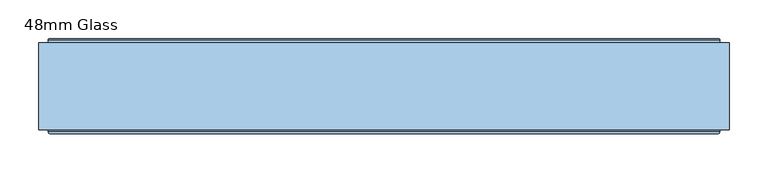
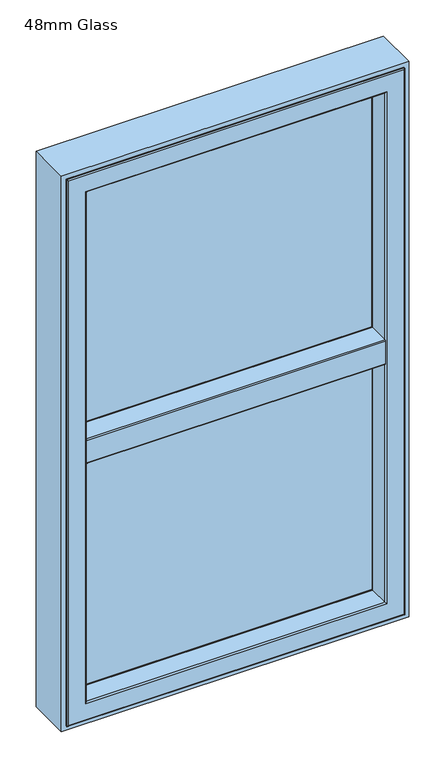
"""IFC4 building model written with IfcOpenShell, lengths in millimetres: window geometry, 48mm Glass."""

from ifc_helpers import new_model, si_unit, frame, origin, place, context, project, spatial, polyline, circle_curve, ellipse_curve, outline, extrude, source, transform, mapped, element, save
from ifc_brep_helpers import plane_surface, cylinder_surface, revolved_surface, advanced_brep


def window_48mm_glass_ea6075e9(model_context):
    return source(origin(), model_context, "Body", "SolidModel", [
        extrude(outline(polyline([(396.0, 93.0), (-396.0, 93.0), (-396.0, 141.0), (396.0, 141.0), (396.0, 93.0)])), frame((0.0, 0.0, 848.0), z_axis=(0.0, 0.0, 1.0), x_axis=(1.0, 0.0, 0.0)), (0.0, 0.0, 1.0), 671.0),
        advanced_brep(
        [(382.0, 142.3448353, 1505.0), (384.8884017, 151.7923717, 1507.8884017), (384.8884017, 151.7923717, 859.1115983), (382.0, 142.3448353, 862.0), (382.0, 141.0, 1505.0), (382.0, 141.0, 862.0), (396.0, 93.0, 1519.0), (396.0, 141.0, 1519.0), (396.0, 141.0, 848.0), (396.0, 93.0, 848.0), (382.0, 90.0, 1505.0), (382.0, 93.0, 1505.0), (382.0, 93.0, 862.0), (382.0, 90.0, 862.0), (406.822025, 145.5609347, 1529.822025), (400.0, 90.0, 1523.0), (400.0, 90.0, 844.0), (406.822025, 145.5609347, 837.177975), (407.6, 147.2, 1530.6), (407.6, 147.2, 836.4), (407.6, 150.5, 1530.6), (407.6, 150.5, 836.4), (403.22, 151.5, 1526.22), (403.22, 150.5, 1526.22), (403.22, 150.5, 840.78), (403.22, 151.5, 840.78), (402.22, 152.5, 1525.22), (402.22, 152.5, 841.78), (385.8447065, 152.5, 1508.8447065), (385.8447065, 152.5, 858.1552935), (-384.8884017, 151.7923717, 859.1115983), (-382.0, 142.3448353, 862.0), (-382.0, 141.0, 862.0), (-396.0, 141.0, 848.0), (-396.0, 93.0, 848.0), (-382.0, 93.0, 862.0), (-382.0, 90.0, 862.0), (-400.0, 90.0, 844.0), (-406.822025, 145.5609347, 837.177975), (-407.6, 147.2, 836.4), (-407.6, 150.5, 836.4), (-403.22, 150.5, 840.78), (-403.22, 151.5, 840.78), (-402.22, 152.5, 841.78), (-385.8447065, 152.5, 858.1552935), (-384.8884017, 151.7923717, 1507.8884017), (-382.0, 142.3448353, 1505.0), (-382.0, 141.0, 1505.0), (-396.0, 141.0, 1519.0), (-396.0, 93.0, 1519.0), (-382.0, 93.0, 1505.0), (-382.0, 90.0, 1505.0), (-400.0, 90.0, 1523.0), (-406.822025, 145.5609347, 1529.822025), (-407.6, 147.2, 1530.6), (-407.6, 150.5, 1530.6), (-403.22, 150.5, 1526.22), (-403.22, 151.5, 1526.22), (-402.22, 152.5, 1525.22), (-385.8447065, 152.5, 1508.8447065)],
        [
            (0, 1),
            (1, 2),
            (2, 3),
            (3, 0),
            (4, 0),
            (3, 5),
            (5, 4),
            (6, 7),
            (7, 8),
            (8, 9),
            (9, 6),
            (10, 11),
            (11, 12),
            (12, 13),
            (13, 10),
            (14, 15),
            (15, 16),
            (16, 17),
            (17, 14),
            (18, 14),
            (17, 19),
            (19, 18),
            (20, 18),
            (19, 21),
            (21, 20),
            (22, 23),
            (23, 24),
            (24, 25),
            (25, 22),
            (26, 22, ellipse_curve(frame((402.22, 151.5, 1525.22), z_axis=(0.7071067811865475, 0.0, -0.7071067811865475), x_axis=(0.7071067811865474, 0.0, 0.7071067811865476)), 1.4142136, 1.0)),
            (25, 27, ellipse_curve(frame((402.22, 151.5, 841.78), z_axis=(0.7071067811865475, 0.0, 0.7071067811865475), x_axis=(-0.7071067811865474, 0.0, 0.7071067811865476)), 1.4142136, 1.0)),
            (27, 26),
            (1, 28, ellipse_curve(frame((385.8447065, 151.5, 1508.8447065), z_axis=(0.7071067811865475, 0.0, -0.7071067811865475), x_axis=(0.7071067811865474, 0.0, 0.7071067811865476)), 1.4142136, 1.0)),
            (28, 29),
            (29, 2, ellipse_curve(frame((385.8447065, 151.5, 858.1552935), z_axis=(0.7071067811865475, 0.0, 0.7071067811865475), x_axis=(-0.7071067811865474, 0.0, 0.7071067811865476)), 1.4142136, 1.0)),
            (2, 30),
            (30, 31),
            (31, 3),
            (31, 32),
            (32, 5),
            (8, 33),
            (33, 34),
            (34, 9),
            (12, 35),
            (35, 36),
            (36, 13),
            (16, 37),
            (37, 38),
            (38, 17),
            (38, 39),
            (39, 19),
            (39, 40),
            (40, 21),
            (24, 41),
            (41, 42),
            (42, 25),
            (42, 43, ellipse_curve(frame((-402.22, 151.5, 841.78), z_axis=(0.7071067811865475, 0.0, -0.7071067811865475), x_axis=(0.7071067811865476, 0.0, 0.7071067811865474)), 1.4142136, 1.0)),
            (43, 27),
            (29, 44),
            (44, 30, ellipse_curve(frame((-385.8447065, 151.5, 858.1552935), z_axis=(0.7071067811865475, 0.0, -0.7071067811865475), x_axis=(0.7071067811865476, 0.0, 0.7071067811865474)), 1.4142136, 1.0)),
            (30, 45),
            (45, 46),
            (46, 31),
            (46, 47),
            (47, 32),
            (33, 48),
            (48, 49),
            (49, 34),
            (35, 50),
            (50, 51),
            (51, 36),
            (37, 52),
            (52, 53),
            (53, 38),
            (53, 54),
            (54, 39),
            (54, 55),
            (55, 40),
            (41, 56),
            (56, 57),
            (57, 42),
            (57, 58, ellipse_curve(frame((-402.22, 151.5, 1525.22), z_axis=(-0.7071067811865475, 0.0, -0.7071067811865475), x_axis=(0.7071067811865474, 0.0, -0.7071067811865476)), 1.4142136, 1.0)),
            (58, 43),
            (44, 59),
            (59, 45, ellipse_curve(frame((-385.8447065, 151.5, 1508.8447065), z_axis=(-0.7071067811865475, 0.0, -0.7071067811865475), x_axis=(0.7071067811865474, 0.0, -0.7071067811865476)), 1.4142136, 1.0)),
            (45, 1),
            (0, 46),
            (4, 47),
            (7, 48),
            (6, 49),
            (11, 50),
            (10, 51),
            (15, 52),
            (14, 53),
            (18, 54),
            (20, 55),
            (23, 56),
            (22, 57),
            (26, 58),
            (28, 59),
        ],
        [
            plane_surface(frame((384.8884017, 151.7923717, 1507.8884017), z_axis=(-0.9563047559630347, 0.29237170472273977, 0.0), x_axis=(0.0, 0.0, -1.0))),
            plane_surface(frame((382.0, 142.3448353, 1505.0), z_axis=(-1.0, 0.0, 0.0), x_axis=(0.0, 0.0, -1.0))),
            plane_surface(frame((396.0, 141.0, 1519.0), z_axis=(-1.0, 0.0, 0.0), x_axis=(0.0, 0.0, -1.0))),
            plane_surface(frame((382.0, 93.0, 1505.0), z_axis=(-1.0, 0.0, 0.0), x_axis=(0.0, 0.0, -1.0))),
            plane_surface(frame((400.0, 90.0, 1523.0), z_axis=(0.9925461516413231, -0.12186934340513905, 0.0), x_axis=(0.0, 0.0, -1.0))),
            plane_surface(frame((406.822025, 145.5609347, 1529.822025), z_axis=(0.9034015732556399, -0.4287955193786835, 0.0), x_axis=(0.0, 0.0, -1.0))),
            plane_surface(frame((407.6, 147.2, 1530.6), z_axis=(1.0, 0.0, 0.0), x_axis=(0.0, 0.0, -1.0))),
            plane_surface(frame((403.22, 150.5, 1526.22), z_axis=(1.0, 0.0, 0.0), x_axis=(0.0, 0.0, -1.0))),
            cylinder_surface(frame((402.22, 151.5, 1555.0), z_axis=(0.0, 0.0, 1.0), x_axis=(0.0, -1.0, 0.0)), 1.0),
            cylinder_surface(frame((385.8447065, 151.5, 1555.0), z_axis=(0.0, 0.0, 1.0), x_axis=(0.0, -1.0, 0.0)), 1.0),
            plane_surface(frame((384.8884017, 151.7923717, 859.1115983), z_axis=(0.0, 0.29237170472273977, 0.9563047559630347), x_axis=(-1.0, 0.0, 0.0))),
            plane_surface(frame((382.0, 142.3448353, 862.0), z_axis=(0.0, 0.0, 1.0), x_axis=(-1.0, 0.0, 0.0))),
            plane_surface(frame((396.0, 141.0, 848.0), z_axis=(0.0, 0.0, 1.0), x_axis=(-1.0, 0.0, 0.0))),
            plane_surface(frame((382.0, 93.0, 862.0), z_axis=(0.0, 0.0, 1.0), x_axis=(-1.0, 0.0, 0.0))),
            plane_surface(frame((400.0, 90.0, 844.0), z_axis=(0.0, -0.12186934340513905, -0.9925461516413231), x_axis=(-1.0, 0.0, 0.0))),
            plane_surface(frame((406.822025, 145.5609347, 837.177975), z_axis=(0.0, -0.4287955193786835, -0.9034015732556399), x_axis=(-1.0, 0.0, 0.0))),
            plane_surface(frame((407.6, 147.2, 836.4), z_axis=(0.0, 0.0, -1.0), x_axis=(-1.0, 0.0, 0.0))),
            plane_surface(frame((403.22, 150.5, 840.78), z_axis=(0.0, 0.0, -1.0), x_axis=(-1.0, 0.0, 0.0))),
            cylinder_surface(frame((432.0, 151.5, 841.78), z_axis=(1.0, 0.0, 0.0), x_axis=(0.0, -1.0, 0.0)), 1.0),
            cylinder_surface(frame((432.0, 151.5, 858.1552935), z_axis=(1.0, 0.0, 0.0), x_axis=(0.0, -1.0, 0.0)), 1.0),
            plane_surface(frame((-384.8884017, 151.7923717, 859.1115983), z_axis=(0.9563047559630347, 0.29237170472273977, 0.0), x_axis=(0.0, 0.0, 1.0))),
            plane_surface(frame((-382.0, 142.3448353, 862.0), z_axis=(1.0, 0.0, 0.0), x_axis=(0.0, 0.0, 1.0))),
            plane_surface(frame((-396.0, 141.0, 848.0), z_axis=(1.0, 0.0, 0.0), x_axis=(0.0, 0.0, 1.0))),
            plane_surface(frame((-382.0, 93.0, 862.0), z_axis=(1.0, 0.0, 0.0), x_axis=(0.0, 0.0, 1.0))),
            plane_surface(frame((-400.0, 90.0, 844.0), z_axis=(-0.9925461516413231, -0.12186934340513905, 0.0), x_axis=(0.0, 0.0, 1.0))),
            plane_surface(frame((-406.822025, 145.5609347, 837.177975), z_axis=(-0.9034015732556399, -0.4287955193786835, 0.0), x_axis=(0.0, 0.0, 1.0))),
            plane_surface(frame((-407.6, 147.2, 836.4), z_axis=(-1.0, 0.0, 0.0), x_axis=(0.0, 0.0, 1.0))),
            plane_surface(frame((-403.22, 150.5, 840.78), z_axis=(-1.0, 0.0, 0.0), x_axis=(0.0, 0.0, 1.0))),
            cylinder_surface(frame((-402.22, 151.5, 812.0), z_axis=(0.0, 0.0, -1.0), x_axis=(0.0, -1.0, 0.0)), 1.0),
            cylinder_surface(frame((-385.8447065, 151.5, 812.0), z_axis=(0.0, 0.0, -1.0), x_axis=(0.0, -1.0, 0.0)), 1.0),
            plane_surface(frame((-384.8884017, 151.7923717, 1507.8884017), z_axis=(0.0, 0.29237170472273977, -0.9563047559630347), x_axis=(1.0, 0.0, 0.0))),
            plane_surface(frame((-382.0, 142.3448353, 1505.0), z_axis=(0.0, 0.0, -1.0), x_axis=(1.0, 0.0, 0.0))),
            plane_surface(frame((-382.0, 141.0, 1505.0), z_axis=(0.0, -1.0, 0.0), x_axis=(1.0, 0.0, 0.0))),
            plane_surface(frame((-396.0, 141.0, 1519.0), z_axis=(0.0, 0.0, -1.0), x_axis=(1.0, 0.0, 0.0))),
            plane_surface(frame((-396.0, 93.0, 1519.0), z_axis=(0.0, 1.0, 0.0), x_axis=(1.0, 0.0, 0.0))),
            plane_surface(frame((-382.0, 93.0, 1505.0), z_axis=(0.0, 0.0, -1.0), x_axis=(1.0, 0.0, 0.0))),
            plane_surface(frame((-382.0, 90.0, 1505.0), z_axis=(0.0, -1.0, 0.0), x_axis=(1.0, 0.0, 0.0))),
            plane_surface(frame((-400.0, 90.0, 1523.0), z_axis=(0.0, -0.12186934340513905, 0.9925461516413231), x_axis=(1.0, 0.0, 0.0))),
            plane_surface(frame((-406.822025, 145.5609347, 1529.822025), z_axis=(0.0, -0.4287955193786835, 0.9034015732556399), x_axis=(1.0, 0.0, 0.0))),
            plane_surface(frame((-407.6, 147.2, 1530.6), z_axis=(0.0, 0.0, 1.0), x_axis=(1.0, 0.0, 0.0))),
            plane_surface(frame((-407.6, 150.5, 1530.6), z_axis=(0.0, 1.0, 0.0), x_axis=(1.0, 0.0, 0.0))),
            plane_surface(frame((-403.22, 150.5, 1526.22), z_axis=(0.0, 0.0, 1.0), x_axis=(1.0, 0.0, 0.0))),
            cylinder_surface(frame((-432.0, 151.5, 1525.22), z_axis=(-1.0, 0.0, 0.0), x_axis=(0.0, -1.0, 0.0)), 1.0),
            plane_surface(frame((-402.22, 152.5, 1525.22), z_axis=(0.0, 1.0, 0.0), x_axis=(1.0, 0.0, 0.0))),
            cylinder_surface(frame((-432.0, 151.5, 1508.8447065), z_axis=(-1.0, 0.0, 0.0), x_axis=(0.0, -1.0, 0.0)), 1.0),
        ],
        [
            (0, [[1, 2, 3, 4]]),
            (1, [[5, -4, 6, 7]]),
            (2, [[8, 9, 10, 11]]),
            (3, [[12, 13, 14, 15]]),
            (4, [[16, 17, 18, 19]]),
            (5, [[20, -19, 21, 22]]),
            (6, [[23, -22, 24, 25]]),
            (7, [[26, 27, 28, 29]]),
            (8, [[30, -29, 31, 32]]),
            (9, [[33, 34, 35, -2]]),
            (10, [[-3, 36, 37, 38]]),
            (11, [[-6, -38, 39, 40]]),
            (12, [[-10, 41, 42, 43]]),
            (13, [[-14, 44, 45, 46]]),
            (14, [[-18, 47, 48, 49]]),
            (15, [[-21, -49, 50, 51]]),
            (16, [[-24, -51, 52, 53]]),
            (17, [[-28, 54, 55, 56]]),
            (18, [[-31, -56, 57, 58]]),
            (19, [[-35, 59, 60, -36]]),
            (20, [[-37, 61, 62, 63]]),
            (21, [[-39, -63, 64, 65]]),
            (22, [[-42, 66, 67, 68]]),
            (23, [[-45, 69, 70, 71]]),
            (24, [[-48, 72, 73, 74]]),
            (25, [[-50, -74, 75, 76]]),
            (26, [[-52, -76, 77, 78]]),
            (27, [[-55, 79, 80, 81]]),
            (28, [[-57, -81, 82, 83]]),
            (29, [[-60, 84, 85, -61]]),
            (30, [[-62, 86, -1, 87]]),
            (31, [[-64, -87, -5, 88]]),
            (32, [[89, -66, -41, -9], [-40, -65, -88, -7]]),
            (33, [[-67, -89, -8, 90]]),
            (34, [[-43, -68, -90, -11], [91, -69, -44, -13]]),
            (35, [[-70, -91, -12, 92]]),
            (36, [[93, -72, -47, -17], [-46, -71, -92, -15]]),
            (37, [[-73, -93, -16, 94]]),
            (38, [[-75, -94, -20, 95]]),
            (39, [[-77, -95, -23, 96]]),
            (40, [[-53, -78, -96, -25], [97, -79, -54, -27]]),
            (41, [[-80, -97, -26, 98]]),
            (42, [[-82, -98, -30, 99]]),
            (43, [[-58, -83, -99, -32], [100, -84, -59, -34]]),
            (44, [[-85, -100, -33, -86]]),
        ],
    ),
        extrude(outline(polyline([(396.0, 93.5), (-396.0, 93.5), (-396.0, 141.5), (396.0, 141.5), (396.0, 93.5)])), frame((0.0, 0.0, 1557.0), z_axis=(0.0, 0.0, 1.0), x_axis=(1.0, 0.0, 0.0)), (0.0, 0.0, 1.0), 695.0),
        advanced_brep(
        [(382.0, 142.8448353, 2238.0), (384.8884017, 152.2923717, 2240.8884017), (384.8884017, 152.2923717, 1568.1115983), (382.0, 142.8448353, 1571.0), (382.0, 141.5, 2238.0), (382.0, 141.5, 1571.0), (396.0, 93.5, 2252.0), (396.0, 141.5, 2252.0), (396.0, 141.5, 1557.0), (396.0, 93.5, 1557.0), (382.0, 90.5, 2238.0), (382.0, 93.5, 2238.0), (382.0, 93.5, 1571.0), (382.0, 90.5, 1571.0), (406.822025, 146.0609347, 2262.822025), (400.0, 90.5, 2256.0), (400.0, 90.5, 1553.0), (406.822025, 146.0609347, 1546.177975), (407.6, 147.7, 2263.6), (407.6, 147.7, 1545.4), (407.6, 151.0, 2263.6), (407.6, 151.0, 1545.4), (403.22, 152.0, 2259.22), (403.22, 151.0, 2259.22), (403.22, 151.0, 1549.78), (403.22, 152.0, 1549.78), (402.22, 153.0, 2258.22), (402.22, 153.0, 1550.78), (385.8447065, 153.0, 2241.8447065), (385.8447065, 153.0, 1567.1552935), (-384.8884017, 152.2923717, 1568.1115983), (-382.0, 142.8448353, 1571.0), (-382.0, 141.5, 1571.0), (-396.0, 141.5, 1557.0), (-396.0, 93.5, 1557.0), (-382.0, 93.5, 1571.0), (-382.0, 90.5, 1571.0), (-400.0, 90.5, 1553.0), (-406.822025, 146.0609347, 1546.177975), (-407.6, 147.7, 1545.4), (-407.6, 151.0, 1545.4), (-403.22, 151.0, 1549.78), (-403.22, 152.0, 1549.78), (-402.22, 153.0, 1550.78), (-385.8447065, 153.0, 1567.1552935), (-384.8884017, 152.2923717, 2240.8884017), (-382.0, 142.8448353, 2238.0), (-382.0, 141.5, 2238.0), (-396.0, 141.5, 2252.0), (-396.0, 93.5, 2252.0), (-382.0, 93.5, 2238.0), (-382.0, 90.5, 2238.0), (-400.0, 90.5, 2256.0), (-406.822025, 146.0609347, 2262.822025), (-407.6, 147.7, 2263.6), (-407.6, 151.0, 2263.6), (-403.22, 151.0, 2259.22), (-403.22, 152.0, 2259.22), (-402.22, 153.0, 2258.22), (-385.8447065, 153.0, 2241.8447065)],
        [
            (0, 1),
            (1, 2),
            (2, 3),
            (3, 0),
            (4, 0),
            (3, 5),
            (5, 4),
            (6, 7),
            (7, 8),
            (8, 9),
            (9, 6),
            (10, 11),
            (11, 12),
            (12, 13),
            (13, 10),
            (14, 15),
            (15, 16),
            (16, 17),
            (17, 14),
            (18, 14),
            (17, 19),
            (19, 18),
            (20, 18),
            (19, 21),
            (21, 20),
            (22, 23),
            (23, 24),
            (24, 25),
            (25, 22),
            (26, 22, ellipse_curve(frame((402.22, 152.0, 2258.22), z_axis=(0.7071067811865475, 0.0, -0.7071067811865475), x_axis=(0.7071067811865474, 0.0, 0.7071067811865476)), 1.4142136, 1.0)),
            (25, 27, ellipse_curve(frame((402.22, 152.0, 1550.78), z_axis=(0.7071067811865475, 0.0, 0.7071067811865475), x_axis=(-0.7071067811865474, 0.0, 0.7071067811865476)), 1.4142136, 1.0)),
            (27, 26),
            (1, 28, ellipse_curve(frame((385.8447065, 152.0, 2241.8447065), z_axis=(0.7071067811865475, 0.0, -0.7071067811865475), x_axis=(0.7071067811865474, 0.0, 0.7071067811865476)), 1.4142136, 1.0)),
            (28, 29),
            (29, 2, ellipse_curve(frame((385.8447065, 152.0, 1567.1552935), z_axis=(0.7071067811865475, 0.0, 0.7071067811865475), x_axis=(-0.7071067811865474, 0.0, 0.7071067811865476)), 1.4142136, 1.0)),
            (2, 30),
            (30, 31),
            (31, 3),
            (31, 32),
            (32, 5),
            (8, 33),
            (33, 34),
            (34, 9),
            (12, 35),
            (35, 36),
            (36, 13),
            (16, 37),
            (37, 38),
            (38, 17),
            (38, 39),
            (39, 19),
            (39, 40),
            (40, 21),
            (24, 41),
            (41, 42),
            (42, 25),
            (42, 43, ellipse_curve(frame((-402.22, 152.0, 1550.78), z_axis=(0.7071067811865475, 0.0, -0.7071067811865475), x_axis=(0.7071067811865476, 0.0, 0.7071067811865474)), 1.4142136, 1.0)),
            (43, 27),
            (29, 44),
            (44, 30, ellipse_curve(frame((-385.8447065, 152.0, 1567.1552935), z_axis=(0.7071067811865475, 0.0, -0.7071067811865475), x_axis=(0.7071067811865476, 0.0, 0.7071067811865474)), 1.4142136, 1.0)),
            (30, 45),
            (45, 46),
            (46, 31),
            (46, 47),
            (47, 32),
            (33, 48),
            (48, 49),
            (49, 34),
            (35, 50),
            (50, 51),
            (51, 36),
            (37, 52),
            (52, 53),
            (53, 38),
            (53, 54),
            (54, 39),
            (54, 55),
            (55, 40),
            (41, 56),
            (56, 57),
            (57, 42),
            (57, 58, ellipse_curve(frame((-402.22, 152.0, 2258.22), z_axis=(-0.7071067811865475, 0.0, -0.7071067811865475), x_axis=(0.7071067811865474, 0.0, -0.7071067811865476)), 1.4142136, 1.0)),
            (58, 43),
            (44, 59),
            (59, 45, ellipse_curve(frame((-385.8447065, 152.0, 2241.8447065), z_axis=(-0.7071067811865475, 0.0, -0.7071067811865475), x_axis=(0.7071067811865474, 0.0, -0.7071067811865476)), 1.4142136, 1.0)),
            (45, 1),
            (0, 46),
            (4, 47),
            (7, 48),
            (6, 49),
            (11, 50),
            (10, 51),
            (15, 52),
            (14, 53),
            (18, 54),
            (20, 55),
            (23, 56),
            (22, 57),
            (26, 58),
            (28, 59),
        ],
        [
            plane_surface(frame((384.8884017, 152.2923717, 2240.8884017), z_axis=(-0.9563047559630347, 0.29237170472273977, 0.0), x_axis=(0.0, 0.0, -1.0))),
            plane_surface(frame((382.0, 142.8448353, 2238.0), z_axis=(-1.0, 0.0, 0.0), x_axis=(0.0, 0.0, -1.0))),
            plane_surface(frame((396.0, 141.5, 2252.0), z_axis=(-1.0, 0.0, 0.0), x_axis=(0.0, 0.0, -1.0))),
            plane_surface(frame((382.0, 93.5, 2238.0), z_axis=(-1.0, 0.0, 0.0), x_axis=(0.0, 0.0, -1.0))),
            plane_surface(frame((400.0, 90.5, 2256.0), z_axis=(0.9925461516413231, -0.12186934340513905, 0.0), x_axis=(0.0, 0.0, -1.0))),
            plane_surface(frame((406.822025, 146.0609347, 2262.822025), z_axis=(0.9034015732556399, -0.4287955193786835, 0.0), x_axis=(0.0, 0.0, -1.0))),
            plane_surface(frame((407.6, 147.7, 2263.6), z_axis=(1.0, 0.0, 0.0), x_axis=(0.0, 0.0, -1.0))),
            plane_surface(frame((403.22, 151.0, 2259.22), z_axis=(1.0, 0.0, 0.0), x_axis=(0.0, 0.0, -1.0))),
            cylinder_surface(frame((402.22, 152.0, 2288.0), z_axis=(0.0, 0.0, 1.0), x_axis=(0.0, -1.0, 0.0)), 1.0),
            cylinder_surface(frame((385.8447065, 152.0, 2288.0), z_axis=(0.0, 0.0, 1.0), x_axis=(0.0, -1.0, 0.0)), 1.0),
            plane_surface(frame((384.8884017, 152.2923717, 1568.1115983), z_axis=(0.0, 0.29237170472273977, 0.9563047559630347), x_axis=(-1.0, 0.0, 0.0))),
            plane_surface(frame((382.0, 142.8448353, 1571.0), z_axis=(0.0, 0.0, 1.0), x_axis=(-1.0, 0.0, 0.0))),
            plane_surface(frame((396.0, 141.5, 1557.0), z_axis=(0.0, 0.0, 1.0), x_axis=(-1.0, 0.0, 0.0))),
            plane_surface(frame((382.0, 93.5, 1571.0), z_axis=(0.0, 0.0, 1.0), x_axis=(-1.0, 0.0, 0.0))),
            plane_surface(frame((400.0, 90.5, 1553.0), z_axis=(0.0, -0.12186934340513905, -0.9925461516413231), x_axis=(-1.0, 0.0, 0.0))),
            plane_surface(frame((406.822025, 146.0609347, 1546.177975), z_axis=(0.0, -0.4287955193786835, -0.9034015732556399), x_axis=(-1.0, 0.0, 0.0))),
            plane_surface(frame((407.6, 147.7, 1545.4), z_axis=(0.0, 0.0, -1.0), x_axis=(-1.0, 0.0, 0.0))),
            plane_surface(frame((403.22, 151.0, 1549.78), z_axis=(0.0, 0.0, -1.0), x_axis=(-1.0, 0.0, 0.0))),
            cylinder_surface(frame((432.0, 152.0, 1550.78), z_axis=(1.0, 0.0, 0.0), x_axis=(0.0, -1.0, 0.0)), 1.0),
            cylinder_surface(frame((432.0, 152.0, 1567.1552935), z_axis=(1.0, 0.0, 0.0), x_axis=(0.0, -1.0, 0.0)), 1.0),
            plane_surface(frame((-384.8884017, 152.2923717, 1568.1115983), z_axis=(0.9563047559630347, 0.29237170472273977, 0.0), x_axis=(0.0, 0.0, 1.0))),
            plane_surface(frame((-382.0, 142.8448353, 1571.0), z_axis=(1.0, 0.0, 0.0), x_axis=(0.0, 0.0, 1.0))),
            plane_surface(frame((-396.0, 141.5, 1557.0), z_axis=(1.0, 0.0, 0.0), x_axis=(0.0, 0.0, 1.0))),
            plane_surface(frame((-382.0, 93.5, 1571.0), z_axis=(1.0, 0.0, 0.0), x_axis=(0.0, 0.0, 1.0))),
            plane_surface(frame((-400.0, 90.5, 1553.0), z_axis=(-0.9925461516413231, -0.12186934340513905, 0.0), x_axis=(0.0, 0.0, 1.0))),
            plane_surface(frame((-406.822025, 146.0609347, 1546.177975), z_axis=(-0.9034015732556399, -0.4287955193786835, 0.0), x_axis=(0.0, 0.0, 1.0))),
            plane_surface(frame((-407.6, 147.7, 1545.4), z_axis=(-1.0, 0.0, 0.0), x_axis=(0.0, 0.0, 1.0))),
            plane_surface(frame((-403.22, 151.0, 1549.78), z_axis=(-1.0, 0.0, 0.0), x_axis=(0.0, 0.0, 1.0))),
            cylinder_surface(frame((-402.22, 152.0, 1521.0), z_axis=(0.0, 0.0, -1.0), x_axis=(0.0, -1.0, 0.0)), 1.0),
            cylinder_surface(frame((-385.8447065, 152.0, 1521.0), z_axis=(0.0, 0.0, -1.0), x_axis=(0.0, -1.0, 0.0)), 1.0),
            plane_surface(frame((-384.8884017, 152.2923717, 2240.8884017), z_axis=(0.0, 0.29237170472273977, -0.9563047559630347), x_axis=(1.0, 0.0, 0.0))),
            plane_surface(frame((-382.0, 142.8448353, 2238.0), z_axis=(0.0, 0.0, -1.0), x_axis=(1.0, 0.0, 0.0))),
            plane_surface(frame((-382.0, 141.5, 2238.0), z_axis=(0.0, -1.0, 0.0), x_axis=(1.0, 0.0, 0.0))),
            plane_surface(frame((-396.0, 141.5, 2252.0), z_axis=(0.0, 0.0, -1.0), x_axis=(1.0, 0.0, 0.0))),
            plane_surface(frame((-396.0, 93.5, 2252.0), z_axis=(0.0, 1.0, 0.0), x_axis=(1.0, 0.0, 0.0))),
            plane_surface(frame((-382.0, 93.5, 2238.0), z_axis=(0.0, 0.0, -1.0), x_axis=(1.0, 0.0, 0.0))),
            plane_surface(frame((-382.0, 90.5, 2238.0), z_axis=(0.0, -1.0, 0.0), x_axis=(1.0, 0.0, 0.0))),
            plane_surface(frame((-400.0, 90.5, 2256.0), z_axis=(0.0, -0.12186934340513905, 0.9925461516413231), x_axis=(1.0, 0.0, 0.0))),
            plane_surface(frame((-406.822025, 146.0609347, 2262.822025), z_axis=(0.0, -0.4287955193786835, 0.9034015732556399), x_axis=(1.0, 0.0, 0.0))),
            plane_surface(frame((-407.6, 147.7, 2263.6), z_axis=(0.0, 0.0, 1.0), x_axis=(1.0, 0.0, 0.0))),
            plane_surface(frame((-407.6, 151.0, 2263.6), z_axis=(0.0, 1.0, 0.0), x_axis=(1.0, 0.0, 0.0))),
            plane_surface(frame((-403.22, 151.0, 2259.22), z_axis=(0.0, 0.0, 1.0), x_axis=(1.0, 0.0, 0.0))),
            cylinder_surface(frame((-432.0, 152.0, 2258.22), z_axis=(-1.0, 0.0, 0.0), x_axis=(0.0, -1.0, 0.0)), 1.0),
            plane_surface(frame((-402.22, 153.0, 2258.22), z_axis=(0.0, 1.0, 0.0), x_axis=(1.0, 0.0, 0.0))),
            cylinder_surface(frame((-432.0, 152.0, 2241.8447065), z_axis=(-1.0, 0.0, 0.0), x_axis=(0.0, -1.0, 0.0)), 1.0),
        ],
        [
            (0, [[1, 2, 3, 4]]),
            (1, [[5, -4, 6, 7]]),
            (2, [[8, 9, 10, 11]]),
            (3, [[12, 13, 14, 15]]),
            (4, [[16, 17, 18, 19]]),
            (5, [[20, -19, 21, 22]]),
            (6, [[23, -22, 24, 25]]),
            (7, [[26, 27, 28, 29]]),
            (8, [[30, -29, 31, 32]]),
            (9, [[33, 34, 35, -2]]),
            (10, [[-3, 36, 37, 38]]),
            (11, [[-6, -38, 39, 40]]),
            (12, [[-10, 41, 42, 43]]),
            (13, [[-14, 44, 45, 46]]),
            (14, [[-18, 47, 48, 49]]),
            (15, [[-21, -49, 50, 51]]),
            (16, [[-24, -51, 52, 53]]),
            (17, [[-28, 54, 55, 56]]),
            (18, [[-31, -56, 57, 58]]),
            (19, [[-35, 59, 60, -36]]),
            (20, [[-37, 61, 62, 63]]),
            (21, [[-39, -63, 64, 65]]),
            (22, [[-42, 66, 67, 68]]),
            (23, [[-45, 69, 70, 71]]),
            (24, [[-48, 72, 73, 74]]),
            (25, [[-50, -74, 75, 76]]),
            (26, [[-52, -76, 77, 78]]),
            (27, [[-55, 79, 80, 81]]),
            (28, [[-57, -81, 82, 83]]),
            (29, [[-60, 84, 85, -61]]),
            (30, [[-62, 86, -1, 87]]),
            (31, [[-64, -87, -5, 88]]),
            (32, [[89, -66, -41, -9], [-40, -65, -88, -7]]),
            (33, [[-67, -89, -8, 90]]),
            (34, [[-43, -68, -90, -11], [91, -69, -44, -13]]),
            (35, [[-70, -91, -12, 92]]),
            (36, [[93, -72, -47, -17], [-46, -71, -92, -15]]),
            (37, [[-73, -93, -16, 94]]),
            (38, [[-75, -94, -20, 95]]),
            (39, [[-77, -95, -23, 96]]),
            (40, [[-53, -78, -96, -25], [97, -79, -54, -27]]),
            (41, [[-80, -97, -26, 98]]),
            (42, [[-82, -98, -30, 99]]),
            (43, [[-58, -83, -99, -32], [100, -84, -59, -34]]),
            (44, [[-85, -100, -33, -86]]),
        ],
    ),
        advanced_brep(
        [(382.0, 91.0, 1521.6729121), (382.0, 91.0, 1505.0), (-382.0, 91.0, 1505.0), (-382.0, 91.0, 1521.6729121), (382.0, 35.0, 1505.0), (-382.0, 35.0, 1505.0), (382.0, 32.0, 1508.0), (382.0, 32.0, 1568.0), (-382.0, 32.0, 1568.0), (-382.0, 32.0, 1508.0), (382.0, 35.0, 1571.0), (382.0, 91.0, 1571.0), (-382.0, 91.0, 1571.0), (-382.0, 35.0, 1571.0), (382.0, 91.0, 1554.3270879), (-382.0, 91.0, 1554.3270879), (400.1583253, 92.2894565, 1552.8419376), (406.822025, 146.5609347, 1546.1893048), (-406.822025, 146.5609347, 1546.1893048), (-400.1583253, 92.2894565, 1552.8419376), (406.822025, 146.5609347, 1529.8106952), (400.1583253, 92.2894565, 1523.1580624), (-400.1583253, 92.2894565, 1523.1580624), (-406.822025, 146.5609347, 1529.8106952), (400.0, 91.0, 1521.6729121), (400.0, 91.0, 1554.3270879), (407.6, 153.0, 1545.4), (407.6, 153.0, 1530.6), (407.6, 154.0, 1531.6), (407.6, 154.0, 1544.4), (407.0359197, 148.3029671, 1530.6), (407.0359197, 148.3029671, 1545.4), (-400.0, 91.0, 1554.3270879), (-400.0, 91.0, 1521.6729121), (-407.6, 153.0, 1530.6), (-407.6, 153.0, 1545.4), (-407.6, 154.0, 1544.4), (-407.6, 154.0, 1531.6), (-407.0359197, 148.3029671, 1545.4), (-407.0359197, 148.3029671, 1530.6)],
        [
            (0, 1),
            (1, 2),
            (2, 3),
            (3, 0),
            (1, 4),
            (4, 5),
            (5, 2),
            (6, 7),
            (7, 8),
            (8, 9),
            (9, 6),
            (10, 11),
            (11, 12),
            (12, 13),
            (13, 10),
            (11, 14),
            (14, 15),
            (15, 12),
            (16, 17),
            (17, 18),
            (18, 19),
            (19, 16),
            (20, 21),
            (21, 22),
            (22, 23),
            (23, 20),
            (14, 0),
            (0, 24),
            (24, 25),
            (25, 14),
            (10, 7, circle_curve(frame((382.0, 35.0, 1568.0), z_axis=(1.0, 0.0, 0.0), x_axis=(0.0, 0.0, 1.0)), 3.0)),
            (6, 4, circle_curve(frame((382.0, 35.0, 1508.0), z_axis=(1.0, 0.0, 0.0), x_axis=(0.0, 0.0, 1.0)), 3.0)),
            (26, 27),
            (27, 28, circle_curve(frame((407.6, 153.0, 1531.6), z_axis=(1.0, 0.0, 0.0), x_axis=(0.0, 0.0, 1.0)), 1.0)),
            (28, 29),
            (29, 26, circle_curve(frame((407.6, 153.0, 1544.4), z_axis=(1.0, 0.0, 0.0), x_axis=(0.0, 0.0, 1.0)), 1.0)),
            (24, 21, ellipse_curve(frame((400.1841768, 92.5, 1521.6729121), z_axis=(-0.9925461516413167, 0.12186934340519207, 0.0), x_axis=(0.12186934340519083, 0.9925461516413169, 0.0)), 1.5112647, 1.5)),
            (20, 30),
            (30, 27),
            (26, 31),
            (31, 17),
            (16, 25, ellipse_curve(frame((400.1841768, 92.5, 1554.3270879), z_axis=(-0.9925461516413167, 0.12186934340519207, 0.0), x_axis=(0.12186934340519083, 0.9925461516413169, 0.0)), 1.5112647, 1.5)),
            (3, 15),
            (15, 32),
            (32, 33),
            (33, 3),
            (5, 9, circle_curve(frame((-382.0, 35.0, 1508.0), z_axis=(-1.0, 0.0, 0.0), x_axis=(0.0, 0.0, 1.0)), 3.0)),
            (8, 13, circle_curve(frame((-382.0, 35.0, 1568.0), z_axis=(-1.0, 0.0, 0.0), x_axis=(0.0, 0.0, 1.0)), 3.0)),
            (34, 35),
            (35, 36, circle_curve(frame((-407.6, 153.0, 1544.4), z_axis=(-1.0, 0.0, 0.0), x_axis=(0.0, 0.0, 1.0)), 1.0)),
            (36, 37),
            (37, 34, circle_curve(frame((-407.6, 153.0, 1531.6), z_axis=(-1.0, 0.0, 0.0), x_axis=(0.0, 0.0, 1.0)), 1.0)),
            (32, 19, ellipse_curve(frame((-400.1841768, 92.5, 1554.3270879), z_axis=(0.9925461516413218, 0.12186934340514957, 0.0), x_axis=(0.12186934340514949, -0.9925461516413219, 0.0)), 1.5112647, 1.5)),
            (18, 38),
            (38, 35),
            (34, 39),
            (39, 23),
            (22, 33, ellipse_curve(frame((-400.1841768, 92.5, 1521.6729121), z_axis=(0.9925461516413218, 0.12186934340514957, 0.0), x_axis=(0.12186934340514949, -0.9925461516413219, 0.0)), 1.5112647, 1.5)),
            (31, 38),
            (26, 35),
            (29, 36),
            (28, 37),
            (27, 34),
            (30, 39),
        ],
        [
            plane_surface(frame((-432.0, 91.0, 1521.6729121), z_axis=(0.0, 1.0, 0.0), x_axis=(1.0, 0.0, 0.0))),
            plane_surface(frame((-432.0, 91.0, 1505.0), z_axis=(0.0, 0.0, -1.0), x_axis=(1.0, 0.0, 0.0))),
            plane_surface(frame((-432.0, 32.0, 1508.0), z_axis=(0.0, -1.0, 0.0), x_axis=(1.0, 0.0, 0.0))),
            plane_surface(frame((-432.0, 35.0, 1571.0), z_axis=(0.0, 0.0, 1.0), x_axis=(1.0, 0.0, 0.0))),
            plane_surface(frame((-432.0, 91.0, 1571.0), z_axis=(0.0, 1.0, 0.0), x_axis=(1.0, 0.0, 0.0))),
            plane_surface(frame((-432.0, 92.2894565, 1552.8419376), z_axis=(0.0, 0.12166994625706042, 0.992570614202236), x_axis=(1.0, 0.0, 0.0))),
            plane_surface(frame((-432.0, 146.5609347, 1529.8106952), z_axis=(0.0, 0.12166994625704212, -0.9925706142022382), x_axis=(1.0, 0.0, 0.0))),
            plane_surface(frame((400.0, 91.0, 1788.0), z_axis=(0.0, -1.0, 0.0), x_axis=(0.0, 0.0, -1.0))),
            plane_surface(frame((382.0, 91.0, 1788.0), z_axis=(1.0, 0.0, 0.0), x_axis=(0.0, 0.0, -1.0))),
            plane_surface(frame((407.6, 154.0, 1788.0), z_axis=(1.0, 0.0, 0.0), x_axis=(0.0, 0.0, -1.0))),
            plane_surface(frame((407.6, 152.8970329, 1788.0), z_axis=(0.9925461516413167, -0.12186934340519207, 0.0), x_axis=(0.0, 0.0, -1.0))),
            plane_surface(frame((-382.0, 91.0, 1788.0), z_axis=(0.0, -1.0, 0.0), x_axis=(0.0, 0.0, -1.0))),
            plane_surface(frame((-382.0, 32.0, 1788.0), z_axis=(-1.0, 0.0, 0.0), x_axis=(0.0, 0.0, -1.0))),
            plane_surface(frame((-407.6, 152.8970329, 1788.0), z_axis=(-1.0, 0.0, 0.0), x_axis=(0.0, 0.0, -1.0))),
            plane_surface(frame((-400.0, 91.0, 1788.0), z_axis=(-0.9925461516413218, -0.12186934340514957, 0.0), x_axis=(0.0, 0.0, -1.0))),
            revolved_surface(polyline([(400.3683536367004, 92.5, 1523.1729121), (-400.36835363670036, 92.5, 1523.1729121)]), (432.0, 92.5, 1521.6729121), (1.0, 0.0, 0.0)),
            cylinder_surface(frame((432.0, 35.0, 1508.0), z_axis=(-1.0, 0.0, 0.0), x_axis=(0.0, 0.0, 1.0)), 3.0),
            cylinder_surface(frame((432.0, 35.0, 1568.0), z_axis=(-1.0, 0.0, 0.0), x_axis=(0.0, 0.0, 1.0)), 3.0),
            revolved_surface(polyline([(400.3683536367004, 92.5, 1555.8270879), (-400.36835363670036, 92.5, 1555.8270879)]), (432.0, 92.5, 1554.3270879), (1.0, 0.0, 0.0)),
            plane_surface(frame((-432.0, 146.5609347, 1546.1893048), z_axis=(0.0, 0.4127070888885561, 0.9108637981504883), x_axis=(1.0, 0.0, 0.0))),
            plane_surface(frame((-432.0, 148.3029671, 1545.4), z_axis=(0.0, 0.0, 1.0), x_axis=(1.0, 0.0, 0.0))),
            cylinder_surface(frame((432.0, 153.0, 1544.4), z_axis=(-1.0, 0.0, 0.0), x_axis=(0.0, 0.0, 1.0)), 1.0),
            plane_surface(frame((-432.0, 154.0, 1544.4), z_axis=(0.0, 1.0, 0.0), x_axis=(1.0, 0.0, 0.0))),
            cylinder_surface(frame((432.0, 153.0, 1531.6), z_axis=(-1.0, 0.0, 0.0), x_axis=(0.0, 0.0, 1.0)), 1.0),
            plane_surface(frame((-432.0, 153.0, 1530.6), z_axis=(0.0, 0.0, -1.0), x_axis=(1.0, 0.0, 0.0))),
            plane_surface(frame((-432.0, 148.3029671, 1530.6), z_axis=(0.0, 0.41270708890017077, -0.9108637981452258), x_axis=(1.0, 0.0, 0.0))),
        ],
        [
            (0, [[1, 2, 3, 4]]),
            (1, [[5, 6, 7, -2]]),
            (2, [[8, 9, 10, 11]]),
            (3, [[12, 13, 14, 15]]),
            (4, [[16, 17, 18, -13]]),
            (5, [[19, 20, 21, 22]]),
            (6, [[23, 24, 25, 26]]),
            (7, [[27, 28, 29, 30]]),
            (8, [[-27, -16, -12, 31, -8, 32, -5, -1]]),
            (9, [[33, 34, 35, 36]]),
            (10, [[-29, 37, -23, 38, 39, -33, 40, 41, -19, 42]]),
            (11, [[43, 44, 45, 46]]),
            (12, [[-43, -3, -7, 47, -10, 48, -14, -18]]),
            (13, [[49, 50, 51, 52]]),
            (14, [[-45, 53, -21, 54, 55, -49, 56, 57, -25, 58]]),
            (15, [[-28, -4, -46, -58, -24, -37]]),
            (16, [[-32, -11, -47, -6]]),
            (17, [[-31, -15, -48, -9]]),
            (18, [[-30, -42, -22, -53, -44, -17]]),
            (19, [[-41, 59, -54, -20]]),
            (20, [[-40, 60, -55, -59]]),
            (21, [[-36, 61, -50, -60]]),
            (22, [[-35, 62, -51, -61]]),
            (23, [[-34, 63, -52, -62]]),
            (24, [[-39, 64, -56, -63]]),
            (25, [[-38, -26, -57, -64]]),
        ],
    ),
        advanced_brep(
        [(-383.5, 91.0, 2239.5), (-382.0, 89.5, 2238.0), (-382.0, 89.5, 862.0), (-383.5, 91.0, 860.5), (-382.0, 35.0, 2238.0), (-382.0, 35.0, 862.0), (382.0, 89.5, 862.0), (383.5, 91.0, 860.5), (398.6498733, 91.0, 2254.6498733), (398.6498733, 91.0, 845.3501267), (-398.6498733, 91.0, 845.3501267), (-398.6498733, 91.0, 2254.6498733), (383.5, 91.0, 2239.5), (-400.1386925, 92.317196, 2256.1386925), (-400.1386925, 92.317196, 843.8613075), (400.1386925, 92.317196, 843.8613075), (-406.7857488, 146.453125, 2262.7857488), (-406.7857488, 146.453125, 837.2142512), (406.7857488, 146.453125, 837.2142512), (407.6, 146.453125, 2263.6), (407.6, 146.453125, 836.4), (-407.6, 146.453125, 836.4), (-407.6, 146.453125, 2263.6), (406.7857488, 146.453125, 2262.7857488), (-407.6, 153.0, 2263.6), (-407.6, 153.0, 836.4), (407.6, 153.0, 836.4), (-408.6, 154.0, 2264.6), (-408.6, 154.0, 835.4), (408.6, 154.0, 835.4), (431.0, 154.0, 2287.0), (431.0, 154.0, 813.0), (-431.0, 154.0, 813.0), (-431.0, 154.0, 2287.0), (408.6, 154.0, 2264.6), (-432.0, 153.0, 2288.0), (-432.0, 153.0, 812.0), (432.0, 153.0, 812.0), (-432.0, 35.0, 2288.0), (-432.0, 35.0, 812.0), (432.0, 35.0, 812.0), (-429.0, 32.0, 2285.0), (-429.0, 32.0, 815.0), (429.0, 32.0, 815.0), (429.0, 32.0, 2285.0), (385.0, 32.0, 2241.0), (385.0, 32.0, 859.0), (-385.0, 32.0, 859.0), (-385.0, 32.0, 2241.0), (382.0, 35.0, 862.0), (382.0, 89.5, 2238.0), (400.1386925, 92.317196, 2256.1386925), (407.6, 153.0, 2263.6), (432.0, 153.0, 2288.0), (432.0, 35.0, 2288.0), (382.0, 35.0, 2238.0)],
        [
            (0, 1, ellipse_curve(frame((-383.5, 89.5, 2239.5), z_axis=(-0.7071067811865475, 0.0, -0.7071067811865475), x_axis=(-0.7071067811865474, 0.0, 0.7071067811865476)), 2.1213203, 1.5)),
            (1, 2),
            (2, 3, ellipse_curve(frame((-383.5, 89.5, 860.5), z_axis=(-0.7071067811865475, 0.0, 0.7071067811865475), x_axis=(0.7071067811865474, 0.0, 0.7071067811865476)), 2.1213203, 1.5)),
            (3, 0),
            (1, 4),
            (4, 5),
            (5, 2),
            (2, 6),
            (6, 7, ellipse_curve(frame((383.5, 89.5, 860.5), z_axis=(-0.7071067811865475, 0.0, -0.7071067811865475), x_axis=(-0.7071067811865476, 0.0, 0.7071067811865474)), 2.1213203, 1.5)),
            (7, 3),
            (8, 9),
            (9, 10),
            (10, 11),
            (11, 8),
            (7, 12),
            (12, 0),
            (13, 11, ellipse_curve(frame((-398.6498733, 92.5, 2254.6498733), z_axis=(0.7071067811865475, 0.0, 0.7071067811865475), x_axis=(0.7071067811865474, 0.0, -0.7071067811865476)), 2.1213203, 1.5)),
            (10, 14, ellipse_curve(frame((-398.6498733, 92.5, 845.3501267), z_axis=(0.7071067811865475, 0.0, -0.7071067811865475), x_axis=(-0.7071067811865474, 0.0, -0.7071067811865476)), 2.1213203, 1.5)),
            (14, 13),
            (9, 15, ellipse_curve(frame((398.6498733, 92.5, 845.3501267), z_axis=(0.7071067811865475, 0.0, 0.7071067811865475), x_axis=(0.7071067811865476, 0.0, -0.7071067811865474)), 2.1213203, 1.5)),
            (15, 14),
            (16, 13),
            (14, 17),
            (17, 16),
            (15, 18),
            (18, 17),
            (19, 20),
            (20, 21),
            (21, 22),
            (22, 19),
            (18, 23),
            (23, 16),
            (24, 22),
            (21, 25),
            (25, 24),
            (20, 26),
            (26, 25),
            (27, 24, ellipse_curve(frame((-408.6, 153.0, 2264.6), z_axis=(-0.7071067811865475, 0.0, -0.7071067811865475), x_axis=(-0.7071067811865474, 0.0, 0.7071067811865476)), 1.4142136, 1.0)),
            (25, 28, ellipse_curve(frame((-408.6, 153.0, 835.4), z_axis=(-0.7071067811865475, 0.0, 0.7071067811865475), x_axis=(0.7071067811865474, 0.0, 0.7071067811865476)), 1.4142136, 1.0)),
            (28, 27),
            (26, 29, ellipse_curve(frame((408.6, 153.0, 835.4), z_axis=(-0.7071067811865475, 0.0, -0.7071067811865475), x_axis=(-0.7071067811865476, 0.0, 0.7071067811865474)), 1.4142136, 1.0)),
            (29, 28),
            (30, 31),
            (31, 32),
            (32, 33),
            (33, 30),
            (29, 34),
            (34, 27),
            (35, 33, ellipse_curve(frame((-431.0, 153.0, 2287.0), z_axis=(-0.7071067811865475, 0.0, -0.7071067811865475), x_axis=(-0.7071067811865474, 0.0, 0.7071067811865476)), 1.4142136, 1.0)),
            (32, 36, ellipse_curve(frame((-431.0, 153.0, 813.0), z_axis=(-0.7071067811865475, 0.0, 0.7071067811865475), x_axis=(0.7071067811865474, 0.0, 0.7071067811865476)), 1.4142136, 1.0)),
            (36, 35),
            (31, 37, ellipse_curve(frame((431.0, 153.0, 813.0), z_axis=(-0.7071067811865475, 0.0, -0.7071067811865475), x_axis=(-0.7071067811865476, 0.0, 0.7071067811865474)), 1.4142136, 1.0)),
            (37, 36),
            (38, 35),
            (36, 39),
            (39, 38),
            (37, 40),
            (40, 39),
            (41, 38, ellipse_curve(frame((-429.0, 35.0, 2285.0), z_axis=(-0.7071067811865475, 0.0, -0.7071067811865475), x_axis=(-0.7071067811865474, 0.0, 0.7071067811865476)), 4.2426407, 3.0)),
            (39, 42, ellipse_curve(frame((-429.0, 35.0, 815.0), z_axis=(-0.7071067811865475, 0.0, 0.7071067811865475), x_axis=(0.7071067811865474, 0.0, 0.7071067811865476)), 4.2426407, 3.0)),
            (42, 41),
            (40, 43, ellipse_curve(frame((429.0, 35.0, 815.0), z_axis=(-0.7071067811865475, 0.0, -0.7071067811865475), x_axis=(-0.7071067811865476, 0.0, 0.7071067811865474)), 4.2426407, 3.0)),
            (43, 42),
            (43, 44),
            (44, 41),
            (45, 46),
            (46, 47),
            (47, 48),
            (48, 45),
            (4, 48, ellipse_curve(frame((-385.0, 35.0, 2241.0), z_axis=(-0.7071067811865475, 0.0, -0.7071067811865475), x_axis=(-0.7071067811865474, 0.0, 0.7071067811865476)), 4.2426407, 3.0)),
            (47, 5, ellipse_curve(frame((-385.0, 35.0, 859.0), z_axis=(-0.7071067811865475, 0.0, 0.7071067811865475), x_axis=(0.7071067811865474, 0.0, 0.7071067811865476)), 4.2426407, 3.0)),
            (46, 49, ellipse_curve(frame((385.0, 35.0, 859.0), z_axis=(-0.7071067811865475, 0.0, -0.7071067811865475), x_axis=(-0.7071067811865476, 0.0, 0.7071067811865474)), 4.2426407, 3.0)),
            (49, 5),
            (49, 6),
            (6, 50),
            (50, 12, ellipse_curve(frame((383.5, 89.5, 2239.5), z_axis=(0.7071067811865475, 0.0, -0.7071067811865475), x_axis=(-0.7071067811865474, 0.0, -0.7071067811865476)), 2.1213203, 1.5)),
            (8, 51, ellipse_curve(frame((398.6498733, 92.5, 2254.6498733), z_axis=(-0.7071067811865475, 0.0, 0.7071067811865475), x_axis=(0.7071067811865474, 0.0, 0.7071067811865476)), 2.1213203, 1.5)),
            (51, 15),
            (51, 23),
            (19, 52),
            (52, 26),
            (52, 34, ellipse_curve(frame((408.6, 153.0, 2264.6), z_axis=(0.7071067811865475, 0.0, -0.7071067811865475), x_axis=(-0.7071067811865474, 0.0, -0.7071067811865476)), 1.4142136, 1.0)),
            (30, 53, ellipse_curve(frame((431.0, 153.0, 2287.0), z_axis=(0.7071067811865475, 0.0, -0.7071067811865475), x_axis=(-0.7071067811865474, 0.0, -0.7071067811865476)), 1.4142136, 1.0)),
            (53, 37),
            (53, 54),
            (54, 40),
            (54, 44, ellipse_curve(frame((429.0, 35.0, 2285.0), z_axis=(0.7071067811865475, 0.0, -0.7071067811865475), x_axis=(-0.7071067811865474, 0.0, -0.7071067811865476)), 4.2426407, 3.0)),
            (45, 55, ellipse_curve(frame((385.0, 35.0, 2241.0), z_axis=(0.7071067811865475, 0.0, -0.7071067811865475), x_axis=(-0.7071067811865474, 0.0, -0.7071067811865476)), 4.2426407, 3.0)),
            (55, 49),
            (55, 50),
            (50, 1),
            (13, 51),
            (24, 52),
            (35, 53),
            (38, 54),
            (4, 55),
        ],
        [
            cylinder_surface(frame((-383.5, 89.5, 2300.0), z_axis=(0.0, 0.0, 1.0), x_axis=(0.0, 1.0, 0.0)), 1.5),
            plane_surface(frame((-382.0, 35.0, 2238.0), z_axis=(1.0, 0.0, 0.0), x_axis=(0.0, 0.0, -1.0))),
            cylinder_surface(frame((-444.0, 89.5, 860.5), z_axis=(-1.0, 0.0, 0.0), x_axis=(0.0, 1.0, 0.0)), 1.5),
            plane_surface(frame((383.5, 91.0, 860.5), z_axis=(0.0, 1.0, 0.0), x_axis=(0.0, 0.0, 1.0))),
            revolved_surface(polyline([(-398.6498733, 94.0, 843.8501267308015), (-398.6498733, 94.0, 2256.1498732691985)]), (-398.6498733, 92.5, 2300.0), (0.0, 0.0, -1.0)),
            revolved_surface(polyline([(400.1498732691988, 94.0, 845.3501267), (-400.1498732691987, 94.0, 845.3501267)]), (-444.0, 92.5, 845.3501267), (1.0, 0.0, 0.0)),
            plane_surface(frame((-400.1386925, 92.317196, 2256.1386925), z_axis=(0.9925461516413234, 0.12186934340513697, 0.0), x_axis=(0.0, 0.0, -1.0))),
            plane_surface(frame((-400.1386925, 92.317196, 843.8613075), z_axis=(0.0, 0.12186934340513697, 0.9925461516413234), x_axis=(1.0, 0.0, 0.0))),
            plane_surface(frame((406.7857488, 146.453125, 837.2142512), z_axis=(0.0, 1.0, 0.0), x_axis=(0.0, 0.0, 1.0))),
            plane_surface(frame((-407.6, 146.453125, 2263.6), z_axis=(1.0, 0.0, 0.0), x_axis=(0.0, 0.0, -1.0))),
            plane_surface(frame((-407.6, 146.453125, 836.4), z_axis=(0.0, 0.0, 1.0), x_axis=(1.0, 0.0, 0.0))),
            cylinder_surface(frame((-408.6, 153.0, 2300.0), z_axis=(0.0, 0.0, 1.0), x_axis=(0.0, 1.0, 0.0)), 1.0),
            cylinder_surface(frame((-444.0, 153.0, 835.4), z_axis=(-1.0, 0.0, 0.0), x_axis=(0.0, 1.0, 0.0)), 1.0),
            plane_surface(frame((408.6, 154.0, 835.4), z_axis=(0.0, 1.0, 0.0), x_axis=(0.0, 0.0, 1.0))),
            cylinder_surface(frame((-431.0, 153.0, 2300.0), z_axis=(0.0, 0.0, 1.0), x_axis=(0.0, 1.0, 0.0)), 1.0),
            cylinder_surface(frame((-444.0, 153.0, 813.0), z_axis=(-1.0, 0.0, 0.0), x_axis=(0.0, 1.0, 0.0)), 1.0),
            plane_surface(frame((-432.0, 153.0, 2288.0), z_axis=(-1.0, 0.0, 0.0), x_axis=(0.0, 0.0, -1.0))),
            plane_surface(frame((-432.0, 153.0, 812.0), z_axis=(0.0, 0.0, -1.0), x_axis=(1.0, 0.0, 0.0))),
            cylinder_surface(frame((-429.0, 35.0, 2300.0), z_axis=(0.0, 0.0, 1.0), x_axis=(0.0, 1.0, 0.0)), 3.0),
            cylinder_surface(frame((-444.0, 35.0, 815.0), z_axis=(-1.0, 0.0, 0.0), x_axis=(0.0, 1.0, 0.0)), 3.0),
            plane_surface(frame((429.0, 32.0, 815.0), z_axis=(0.0, -1.0, 0.0), x_axis=(0.0, 0.0, 1.0))),
            cylinder_surface(frame((-385.0, 35.0, 2300.0), z_axis=(0.0, 0.0, 1.0), x_axis=(0.0, 1.0, 0.0)), 3.0),
            cylinder_surface(frame((-444.0, 35.0, 859.0), z_axis=(-1.0, 0.0, 0.0), x_axis=(0.0, 1.0, 0.0)), 3.0),
            plane_surface(frame((-382.0, 35.0, 862.0), z_axis=(0.0, 0.0, 1.0), x_axis=(1.0, 0.0, 0.0))),
            cylinder_surface(frame((383.5, 89.5, 800.0), z_axis=(0.0, 0.0, -1.0), x_axis=(0.0, 1.0, 0.0)), 1.5),
            revolved_surface(polyline([(398.6498733, 94.0, 2256.1498732691985), (398.6498733, 94.0, 843.8501267308013)]), (398.6498733, 92.5, 800.0), (0.0, 0.0, 1.0)),
            plane_surface(frame((400.1386925, 92.317196, 843.8613075), z_axis=(-0.9925461516413234, 0.12186934340513697, 0.0), x_axis=(0.0, 0.0, 1.0))),
            plane_surface(frame((407.6, 146.453125, 836.4), z_axis=(-1.0, 0.0, 0.0), x_axis=(0.0, 0.0, 1.0))),
            cylinder_surface(frame((408.6, 153.0, 800.0), z_axis=(0.0, 0.0, -1.0), x_axis=(0.0, 1.0, 0.0)), 1.0),
            cylinder_surface(frame((431.0, 153.0, 800.0), z_axis=(0.0, 0.0, -1.0), x_axis=(0.0, 1.0, 0.0)), 1.0),
            plane_surface(frame((432.0, 153.0, 812.0), z_axis=(1.0, 0.0, 0.0), x_axis=(0.0, 0.0, 1.0))),
            cylinder_surface(frame((429.0, 35.0, 800.0), z_axis=(0.0, 0.0, -1.0), x_axis=(0.0, 1.0, 0.0)), 3.0),
            cylinder_surface(frame((385.0, 35.0, 800.0), z_axis=(0.0, 0.0, -1.0), x_axis=(0.0, 1.0, 0.0)), 3.0),
            plane_surface(frame((382.0, 35.0, 862.0), z_axis=(-1.0, 0.0, 0.0), x_axis=(0.0, 0.0, 1.0))),
            cylinder_surface(frame((444.0, 89.5, 2239.5), z_axis=(1.0, 0.0, 0.0), x_axis=(0.0, 1.0, 0.0)), 1.5),
            revolved_surface(polyline([(-400.1498732691988, 94.0, 2254.6498733), (400.1498732691987, 94.0, 2254.6498733)]), (444.0, 92.5, 2254.6498733), (-1.0, 0.0, 0.0)),
            plane_surface(frame((400.1386925, 92.317196, 2256.1386925), z_axis=(0.0, 0.12186934340513697, -0.9925461516413234), x_axis=(-1.0, 0.0, 0.0))),
            plane_surface(frame((407.6, 146.453125, 2263.6), z_axis=(0.0, 0.0, -1.0), x_axis=(-1.0, 0.0, 0.0))),
            cylinder_surface(frame((444.0, 153.0, 2264.6), z_axis=(1.0, 0.0, 0.0), x_axis=(0.0, 1.0, 0.0)), 1.0),
            cylinder_surface(frame((444.0, 153.0, 2287.0), z_axis=(1.0, 0.0, 0.0), x_axis=(0.0, 1.0, 0.0)), 1.0),
            plane_surface(frame((432.0, 153.0, 2288.0), z_axis=(0.0, 0.0, 1.0), x_axis=(-1.0, 0.0, 0.0))),
            cylinder_surface(frame((444.0, 35.0, 2285.0), z_axis=(1.0, 0.0, 0.0), x_axis=(0.0, 1.0, 0.0)), 3.0),
            cylinder_surface(frame((444.0, 35.0, 2241.0), z_axis=(1.0, 0.0, 0.0), x_axis=(0.0, 1.0, 0.0)), 3.0),
            plane_surface(frame((382.0, 35.0, 2238.0), z_axis=(0.0, 0.0, -1.0), x_axis=(-1.0, 0.0, 0.0))),
        ],
        [
            (0, [[1, 2, 3, 4]]),
            (1, [[5, 6, 7, -2]]),
            (2, [[-3, 8, 9, 10]]),
            (3, [[11, 12, 13, 14], [-4, -10, 15, 16]]),
            (4, [[17, -13, 18, 19]]),
            (5, [[-18, -12, 20, 21]]),
            (6, [[22, -19, 23, 24]]),
            (7, [[-23, -21, 25, 26]]),
            (8, [[27, 28, 29, 30], [-24, -26, 31, 32]]),
            (9, [[33, -29, 34, 35]]),
            (10, [[-34, -28, 36, 37]]),
            (11, [[38, -35, 39, 40]]),
            (12, [[-39, -37, 41, 42]]),
            (13, [[43, 44, 45, 46], [-40, -42, 47, 48]]),
            (14, [[49, -45, 50, 51]]),
            (15, [[-50, -44, 52, 53]]),
            (16, [[54, -51, 55, 56]]),
            (17, [[-55, -53, 57, 58]]),
            (18, [[59, -56, 60, 61]]),
            (19, [[-60, -58, 62, 63]]),
            (20, [[-61, -63, 64, 65], [66, 67, 68, 69]]),
            (21, [[70, -68, 71, -6]]),
            (22, [[-71, -67, 72, 73]]),
            (23, [[-7, -73, 74, -8]]),
            (24, [[-9, 75, 76, -15]]),
            (25, [[-20, -11, 77, 78]]),
            (26, [[-25, -78, 79, -31]]),
            (27, [[-36, -27, 80, 81]]),
            (28, [[-41, -81, 82, -47]]),
            (29, [[-52, -43, 83, 84]]),
            (30, [[-57, -84, 85, 86]]),
            (31, [[-62, -86, 87, -64]]),
            (32, [[-72, -66, 88, 89]]),
            (33, [[-74, -89, 90, -75]]),
            (34, [[-76, 91, -1, -16]]),
            (35, [[-77, -14, -17, 92]]),
            (36, [[-79, -92, -22, -32]]),
            (37, [[-80, -30, -33, 93]]),
            (38, [[-82, -93, -38, -48]]),
            (39, [[-83, -46, -49, 94]]),
            (40, [[-85, -94, -54, 95]]),
            (41, [[-87, -95, -59, -65]]),
            (42, [[-88, -69, -70, 96]]),
            (43, [[-90, -96, -5, -91]]),
        ],
    ),
        extrude(outline(polyline([(2300.0, -444.0), (800.0, -444.0), (800.0, 444.0), (2300.0, 444.0), (2300.0, -444.0)]), holes=[polyline([(2288.0, 432.0), (812.0, 432.0), (812.0, -432.0), (2288.0, -432.0), (2288.0, 432.0)])]), frame((0.0, 37.0, 0.0), z_axis=(0.0, 1.0, 0.0), x_axis=(0.0, 0.0, 1.0)), (0.0, 0.0, 1.0), 112.0),
    ])


if __name__ == "__main__":
    model = new_model("IFC4")
    model_context = context("Model", 3, world=origin())
    ifc_project = project(units=[si_unit("LENGTHUNIT", "METRE", prefix="MILLI")], contexts=[model_context])
    site = spatial("IfcSite", under=ifc_project)
    building = spatial("IfcBuilding", under=site)
    placement = place(None, origin())
    window_48mm_glass_shape = window_48mm_glass_ea6075e9(model_context)
    element("IfcWindow", 1, ObjectType="48mm Glass", at=placement, inside=building, context=model_context, shape_type="MappedRepresentation", body=[
        mapped(window_48mm_glass_shape, transform((0.0, 0.0, 0.0), x_axis=(1.0, 0.0, 0.0), y_axis=(0.0, 1.0, 0.0), z_axis=(0.0, 0.0, 1.0))),
    ])
    save(model, "model.ifc")
